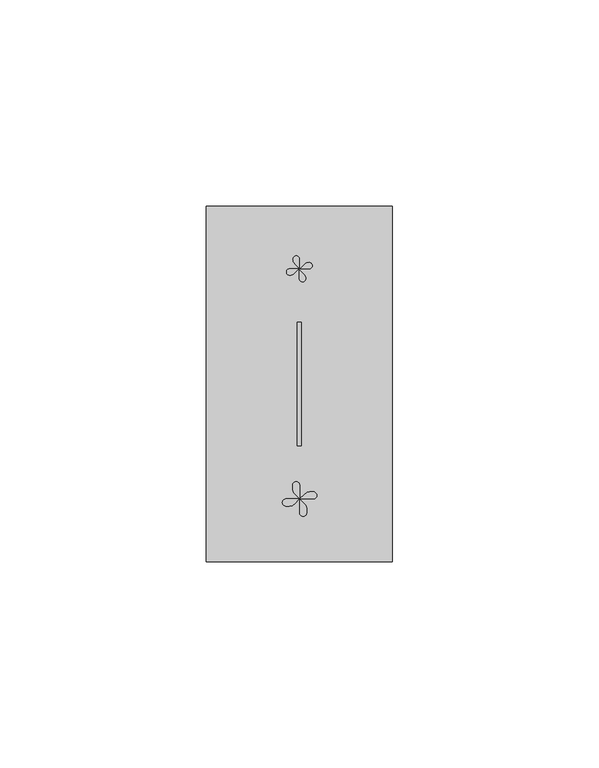
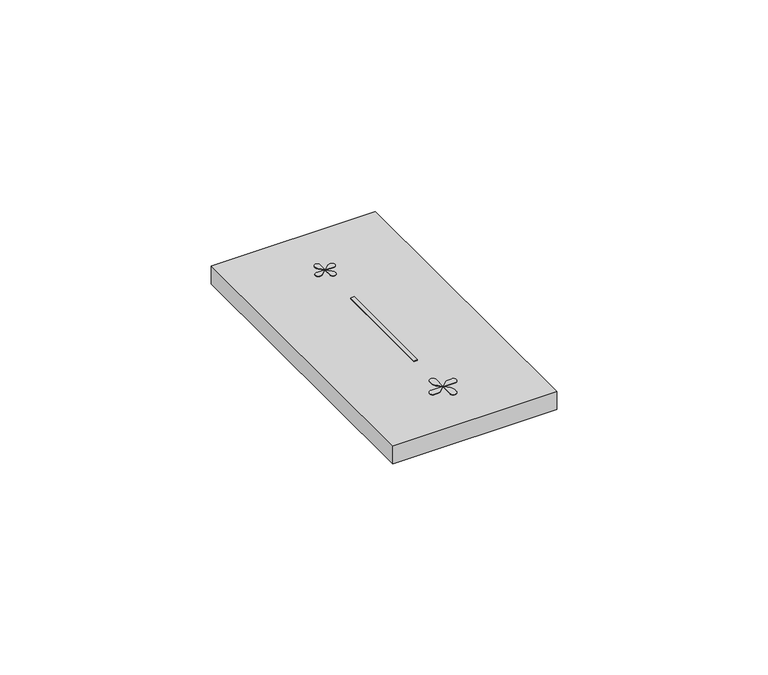
"""IFC4 building model written with IfcOpenShell, lengths in millimetres: proxy geometry."""

from ifc_helpers import new_model, si_unit, point, frame, frame_2d, origin, place, context, project, spatial, polyline, circle_curve, trimmed, segment, composite_curve, outline, extrude, source, transform, mapped, element, save


def electrical_fixtures_ac9b3c66(model_context):
    return source(origin(), model_context, "Body", "SweptSolid", [
        extrude(outline(composite_curve([segment(polyline([(22.6720036, 70.8985661), (23.7726957, 71.9992582)]), True, "CONTINUOUS"), segment(trimmed(circle_curve(frame_2d((24.8414998, 70.9304542)), 1.5115172), [point((23.7726957, 71.9992582))], [point((24.8414998, 72.4419714))], False, "CARTESIAN"), True, "CONTINUOUS"), segment(trimmed(circle_curve(frame_2d((24.8414998, 71.6702687)), 0.7717026), [point((24.8414998, 72.4419714))], [point((24.8414998, 70.8985661))], False, "CARTESIAN"), True, "CONTINUOUS"), segment(polyline([(24.8414998, 70.8985661), (22.6720036, 70.8985661)]), True, "CONTINUOUS")], self_intersect=False)), frame((0.0, 0.0, 10.7), z_axis=(0.0, 0.0, 1.0), x_axis=(1.0, 0.0, 0.0)), (0.0, 0.0, 1.0), 0.1652311),
        extrude(outline(composite_curve([segment(polyline([(22.5, 70.7265625), (23.6006921, 69.6258704)]), True, "CONTINUOUS"), segment(trimmed(circle_curve(frame_2d((22.5318881, 68.5570663)), 1.5115172), [point((23.6006921, 69.6258704))], [point((24.0434053, 68.5570663))], False, "CARTESIAN"), True, "CONTINUOUS"), segment(trimmed(circle_curve(frame_2d((23.2717026, 68.5570663)), 0.7717026), [point((24.0434053, 68.5570663))], [point((22.5, 68.5570663))], False, "CARTESIAN"), True, "CONTINUOUS"), segment(polyline([(22.5, 68.5570663), (22.5, 70.7265625)]), True, "CONTINUOUS")], self_intersect=False)), frame((0.0, 0.0, 10.7), z_axis=(0.0, 0.0, 1.0), x_axis=(1.0, 0.0, 0.0)), (0.0, 0.0, 1.0), 0.1652311),
        extrude(outline(composite_curve([segment(polyline([(22.3279964, 70.8985661), (21.2273043, 69.797874)]), True, "CONTINUOUS"), segment(trimmed(circle_curve(frame_2d((20.1585002, 70.866678)), 1.5115172), [point((21.2273043, 69.797874))], [point((20.1585002, 69.3551608))], False, "CARTESIAN"), True, "CONTINUOUS"), segment(trimmed(circle_curve(frame_2d((20.1585002, 70.1268635)), 0.7717026), [point((20.1585002, 69.3551608))], [point((20.1585002, 70.8985661))], False, "CARTESIAN"), True, "CONTINUOUS"), segment(polyline([(20.1585002, 70.8985661), (22.3279964, 70.8985661)]), True, "CONTINUOUS")], self_intersect=False)), frame((0.0, 0.0, 10.7), z_axis=(0.0, 0.0, 1.0), x_axis=(1.0, 0.0, 0.0)), (0.0, 0.0, 1.0), 0.1652311),
        extrude(outline(composite_curve([segment(polyline([(22.5, 71.0705697), (21.3993079, 72.1712618)]), True, "CONTINUOUS"), segment(trimmed(circle_curve(frame_2d((22.4681119, 73.2400659)), 1.5115172), [point((21.3993079, 72.1712618))], [point((20.9565947, 73.2400659))], False, "CARTESIAN"), True, "CONTINUOUS"), segment(trimmed(circle_curve(frame_2d((21.7282974, 73.2400659)), 0.7717026), [point((20.9565947, 73.2400659))], [point((22.5, 73.2400659))], False, "CARTESIAN"), True, "CONTINUOUS"), segment(polyline([(22.5, 73.2400659), (22.5, 71.0705697)]), True, "CONTINUOUS")], self_intersect=False)), frame((0.0, 0.0, 10.7), z_axis=(0.0, 0.0, 1.0), x_axis=(1.0, 0.0, 0.0)), (0.0, 0.0, 1.0), 0.1652311),
        extrude(outline(composite_curve([segment(polyline([(22.5, 15.1493198), (21.2777539, 13.9270737)]), True, "CONTINUOUS"), segment(trimmed(circle_curve(frame_2d((20.0909175, 15.1139101)), 1.6784402), [point((21.2777539, 13.9270737))], [point((20.0909175, 13.4354699))], False, "CARTESIAN"), True, "CONTINUOUS"), segment(polyline([(20.0909175, 13.4354699), (19.2629531, 13.4354699)]), True, "CONTINUOUS"), segment(trimmed(circle_curve(frame_2d((19.2629531, 14.2923948)), 0.8569249), [point((19.2629531, 13.4354699))], [point((19.2629531, 15.1493198))], False, "CARTESIAN"), True, "CONTINUOUS"), segment(polyline([(19.2629531, 15.1493198), (22.5, 15.1493198)]), True, "CONTINUOUS")], self_intersect=False)), frame((0.0, 0.0, 10.7), z_axis=(0.0, 0.0, 1.0), x_axis=(1.0, 0.0, 0.0)), (0.0, 0.0, 1.0), 0.1652311),
        extrude(outline(composite_curve([segment(polyline([(22.578125, 15.2274448), (21.3558789, 16.4496908)]), True, "CONTINUOUS"), segment(trimmed(circle_curve(frame_2d((22.5427154, 17.6365273)), 1.6784402), [point((21.3558789, 16.4496908))], [point((20.8642752, 17.6365273))], False, "CARTESIAN"), True, "CONTINUOUS"), segment(polyline([(20.8642752, 17.6365273), (20.8642752, 18.4644916)]), True, "CONTINUOUS"), segment(trimmed(circle_curve(frame_2d((21.7212001, 18.4644916)), 0.8569249), [point((20.8642752, 18.4644916))], [point((22.578125, 18.4644916))], False, "CARTESIAN"), True, "CONTINUOUS"), segment(polyline([(22.578125, 18.4644916), (22.578125, 15.2274448)]), True, "CONTINUOUS")], self_intersect=False)), frame((0.0, 0.0, 10.7), z_axis=(0.0, 0.0, 1.0), x_axis=(1.0, 0.0, 0.0)), (0.0, 0.0, 1.0), 0.1652311),
        extrude(outline(composite_curve([segment(polyline([(22.65625, 15.1493198), (23.8784961, 16.3715658)]), True, "CONTINUOUS"), segment(trimmed(circle_curve(frame_2d((25.0653325, 15.1847294)), 1.6784402), [point((23.8784961, 16.3715658))], [point((25.0653325, 16.8631696))], False, "CARTESIAN"), True, "CONTINUOUS"), segment(polyline([(25.0653325, 16.8631696), (25.8932969, 16.8631696)]), True, "CONTINUOUS"), segment(trimmed(circle_curve(frame_2d((25.8932969, 16.0062447)), 0.8569249), [point((25.8932969, 16.8631696))], [point((25.8932969, 15.1493198))], False, "CARTESIAN"), True, "CONTINUOUS"), segment(polyline([(25.8932969, 15.1493198), (22.65625, 15.1493198)]), True, "CONTINUOUS")], self_intersect=False)), frame((0.0, 0.0, 10.7), z_axis=(0.0, 0.0, 1.0), x_axis=(1.0, 0.0, 0.0)), (0.0, 0.0, 1.0), 0.1652311),
        extrude(outline(composite_curve([segment(polyline([(22.578125, 15.0711948), (23.8003711, 13.8489487)]), True, "CONTINUOUS"), segment(trimmed(circle_curve(frame_2d((22.6135346, 12.6621122)), 1.6784402), [point((23.8003711, 13.8489487))], [point((24.2919748, 12.6621122))], False, "CARTESIAN"), True, "CONTINUOUS"), segment(polyline([(24.2919748, 12.6621122), (24.2919748, 11.8341479)]), True, "CONTINUOUS"), segment(trimmed(circle_curve(frame_2d((23.4350499, 11.8341479)), 0.8569249), [point((24.2919748, 11.8341479))], [point((22.578125, 11.8341479))], False, "CARTESIAN"), True, "CONTINUOUS"), segment(polyline([(22.578125, 11.8341479), (22.578125, 15.0711948)]), True, "CONTINUOUS")], self_intersect=False)), frame((0.0, 0.0, 10.7), z_axis=(0.0, 0.0, 1.0), x_axis=(1.0, 0.0, 0.0)), (0.0, 0.0, 1.0), 0.1652311),
        extrude(outline(polyline([(22.0, 58.0), (23.0, 58.0), (23.0, 28.0), (22.0, 28.0), (22.0, 58.0)])), frame((0.0, 0.0, 5.5), z_axis=(0.0, 0.0, 1.0), x_axis=(1.0, 0.0, 0.0)), (0.0, 0.0, 1.0), 5.2),
        extrude(outline(polyline([(0.0, 0.0), (0.0, 86.0), (45.0, 86.0), (45.0, 0.0), (0.0, 0.0)]), holes=[polyline([(22.0, 58.0), (22.0, 28.0), (23.0, 28.0), (23.0, 58.0), (22.0, 58.0)])]), frame((0.0, 0.0, 5.5), z_axis=(0.0, 0.0, 1.0), x_axis=(1.0, 0.0, 0.0)), (0.0, 0.0, 1.0), 5.2),
    ])


if __name__ == "__main__":
    model = new_model("IFC4")
    model_context = context("Model", 3, world=origin())
    ifc_project = project(units=[si_unit("LENGTHUNIT", "METRE", prefix="MILLI")], contexts=[model_context])
    site = spatial("IfcSite", under=ifc_project)
    building = spatial("IfcBuilding", under=site)
    placement = place(None, origin())
    electrical_fixtures_shape = electrical_fixtures_ac9b3c66(model_context)
    element("IfcBuildingElementProxy", 1, Name="Electrical Fixtures", at=placement, inside=building, context=model_context, shape_type="MappedRepresentation", body=[
        mapped(electrical_fixtures_shape, transform((0.0, 0.0, 0.0), x_axis=(1.0, 0.0, 0.0), y_axis=(0.0, 1.0, 0.0), z_axis=(0.0, 0.0, 1.0))),
    ])
    save(model, "model.ifc")
